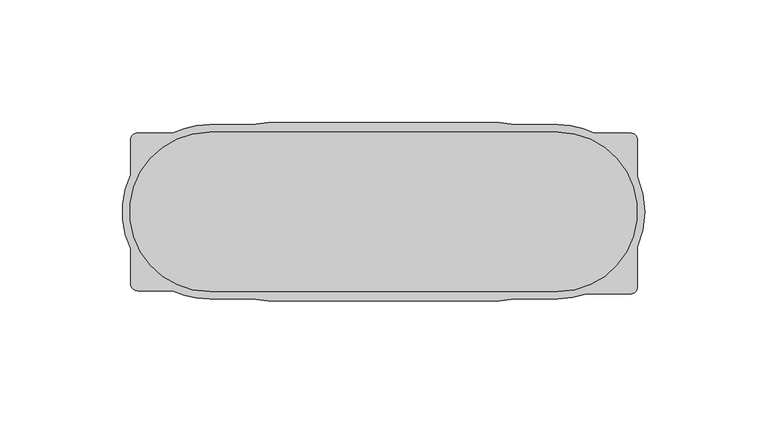
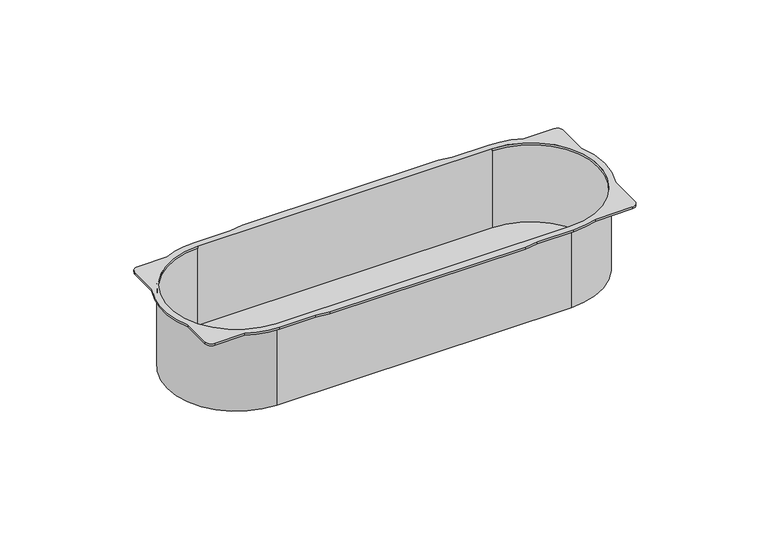
"""IFC4 building model written with IfcOpenShell, lengths in millimetres: proxy geometry."""

from ifc_helpers import new_model, si_unit, point, frame, frame_2d, origin, place, context, project, spatial, polyline, circle_curve, trimmed, segment, composite_curve, outline, extrude, source, transform, mapped, element, save
from ifc_brep_helpers import plane_surface, cylinder_surface, revolved_surface, advanced_brep


def electrical_fixtures_c38f73b0(model_context):
    return source(origin(), model_context, "Body", "SolidModel", [
        advanced_brep(
        [(-71.0, 33.5, -40.0), (71.0, 33.5, -40.0), (71.0, -33.5, -40.0), (-71.0, -33.5, -40.0), (-71.0, 32.5, -40.0), (-71.0, -32.5, -40.0), (71.0, -32.5, -40.0), (71.0, 32.5, -40.0), (103.4713136, -14.3479544, 1.0), (103.4713136, 14.3479544, 1.0), (103.4713136, 29.1875, 1.0), (100.4713136, 32.1875, 1.0), (85.9738053, 32.1875, 1.0), (71.0, 35.5, 1.0), (53.5182585, 35.5, 1.0), (47.1783104, 36.4, 1.0), (-47.1783104, 36.4, 1.0), (-53.5182585, 35.5, 1.0), (-71.0, 35.5, 1.0), (-85.9738053, 32.1875, 1.0), (-100.1875, 32.1875, 1.0), (-103.1875, 29.1875, 1.0), (-103.1875, 14.9738053, 1.0), (-103.1875, -14.9738053, 1.0), (-103.1875, -29.1875, 1.0), (-100.1875, -32.1875, 1.0), (-85.9738053, -32.1875, 1.0), (-71.0, -35.5, 1.0), (-53.5182585, -35.5, 1.0), (-47.1783104, -36.4, 1.0), (47.1783104, -36.4, 1.0), (53.5182585, -35.5, 1.0), (71.0, -35.5, 1.0), (82.7473401, -33.5, 1.0), (100.4713136, -33.5, 1.0), (103.4713136, -30.5, 1.0), (71.0, 32.5, 1.0), (71.0, -32.5, 1.0), (-71.0, -32.5, 1.0), (-71.0, 32.5, 1.0), (103.4713136, -14.3479544, 0.0), (103.4713136, -30.5, 0.0), (100.4713136, -33.5, 0.0), (82.7473401, -33.5, 0.0), (71.0, -35.5, 0.0), (53.5182585, -35.5, 0.0), (47.1783104, -36.4, 0.0), (-47.1783104, -36.4, 0.0), (-53.5182585, -35.5, 0.0), (-71.0, -35.5, 0.0), (-85.9738053, -32.1875, 0.0), (-100.1875, -32.1875, 0.0), (-103.1875, -29.1875, 0.0), (-103.1875, -14.9738053, 0.0), (-103.1875, 14.9738053, 0.0), (-103.1875, 29.1875, 0.0), (-100.1875, 32.1875, 0.0), (-85.9738053, 32.1875, 0.0), (-71.0, 35.5, 0.0), (-53.5182585, 35.5, 0.0), (-47.1783104, 36.4, 0.0), (47.1783104, 36.4, 0.0), (53.5182585, 35.5, 0.0), (71.0, 35.5, 0.0), (85.9738053, 32.1875, 0.0), (100.4713136, 32.1875, 0.0), (103.4713136, 29.1875, 0.0), (103.4713136, 14.3479544, 0.0), (-71.0, 33.5, 0.0), (-71.0, -33.5, 0.0), (71.0, -33.5, 0.0), (71.0, 33.5, 0.0), (71.0, 32.5, 0.0), (71.0, -32.5, 0.0), (-71.0, -32.5, 0.0), (-71.0, 32.5, 0.0)],
        [
            (0, 1),
            (1, 2, circle_curve(frame((71.0, 0.0, -40.0), z_axis=(0.0, 0.0, -1.0), x_axis=(1.0, 0.0, 0.0)), 33.5)),
            (2, 3),
            (3, 0, circle_curve(frame((-71.0, 0.0, -40.0), z_axis=(0.0, 0.0, -1.0), x_axis=(-1.0, 0.0, 0.0)), 33.5)),
            (4, 5, circle_curve(frame((-71.0, 0.0, -40.0), z_axis=(0.0, 0.0, 1.0), x_axis=(-1.0, 0.0, 0.0)), 32.5)),
            (5, 6),
            (6, 7, circle_curve(frame((71.0, 0.0, -40.0), z_axis=(0.0, 0.0, 1.0), x_axis=(1.0, 0.0, 0.0)), 32.5)),
            (7, 4),
            (8, 9, circle_curve(frame((71.0, 0.0, 1.0), z_axis=(0.0, 0.0, 1.0), x_axis=(1.0, 0.0, 0.0)), 35.5)),
            (9, 10),
            (10, 11, circle_curve(frame((100.4713136, 29.1875, 1.0), z_axis=(0.0, 0.0, 1.0), x_axis=(-1.0, 0.0, 0.0)), 3.0)),
            (11, 12),
            (12, 13, circle_curve(frame((71.0, 0.0, 1.0), z_axis=(0.0, 0.0, 1.0), x_axis=(1.0, 0.0, 0.0)), 35.5)),
            (13, 14),
            (14, 15),
            (15, 16),
            (16, 17),
            (17, 18),
            (18, 19, circle_curve(frame((-71.0, 0.0, 1.0), z_axis=(0.0, 0.0, 1.0), x_axis=(-1.0, 0.0, 0.0)), 35.5)),
            (19, 20),
            (20, 21, circle_curve(frame((-100.1875, 29.1875, 1.0), z_axis=(0.0, 0.0, 1.0), x_axis=(1.0, 0.0, 0.0)), 3.0)),
            (21, 22),
            (22, 23, circle_curve(frame((-71.0, 0.0, 1.0), z_axis=(0.0, 0.0, 1.0), x_axis=(-1.0, 0.0, 0.0)), 35.5)),
            (23, 24),
            (24, 25, circle_curve(frame((-100.1875, -29.1875, 1.0), z_axis=(0.0, 0.0, 1.0), x_axis=(1.0, 0.0, 0.0)), 3.0)),
            (25, 26),
            (26, 27, circle_curve(frame((-71.0, 0.0, 1.0), z_axis=(0.0, 0.0, 1.0), x_axis=(-1.0, 0.0, 0.0)), 35.5)),
            (27, 28),
            (28, 29),
            (29, 30),
            (30, 31),
            (31, 32),
            (32, 33, circle_curve(frame((71.0, 0.0, 1.0), z_axis=(0.0, 0.0, 1.0), x_axis=(1.0, 0.0, 0.0)), 35.5)),
            (33, 34),
            (34, 35, circle_curve(frame((100.4713136, -30.5, 1.0), z_axis=(0.0, 0.0, 1.0), x_axis=(-1.0, 0.0, 0.0)), 3.0)),
            (35, 8),
            (36, 37, circle_curve(frame((71.0, 0.0, 1.0), z_axis=(0.0, 0.0, -1.0), x_axis=(1.0, 0.0, 0.0)), 32.5)),
            (37, 38),
            (38, 39, circle_curve(frame((-71.0, 0.0, 1.0), z_axis=(0.0, 0.0, -1.0), x_axis=(-1.0, 0.0, 0.0)), 32.5)),
            (39, 36),
            (40, 41),
            (41, 42, circle_curve(frame((100.4713136, -30.5, 0.0), z_axis=(0.0, 0.0, -1.0), x_axis=(-1.0, 0.0, 0.0)), 3.0)),
            (42, 43),
            (43, 44, circle_curve(frame((71.0, 0.0, 0.0), z_axis=(0.0, 0.0, -1.0), x_axis=(1.0, 0.0, 0.0)), 35.5)),
            (44, 45),
            (45, 46),
            (46, 47),
            (47, 48),
            (48, 49),
            (49, 50, circle_curve(frame((-71.0, 0.0, 0.0), z_axis=(0.0, 0.0, -1.0), x_axis=(-1.0, 0.0, 0.0)), 35.5)),
            (50, 51),
            (51, 52, circle_curve(frame((-100.1875, -29.1875, 0.0), z_axis=(0.0, 0.0, -1.0), x_axis=(1.0, 0.0, 0.0)), 3.0)),
            (52, 53),
            (53, 54, circle_curve(frame((-71.0, 0.0, 0.0), z_axis=(0.0, 0.0, -1.0), x_axis=(-1.0, 0.0, 0.0)), 35.5)),
            (54, 55),
            (55, 56, circle_curve(frame((-100.1875, 29.1875, 0.0), z_axis=(0.0, 0.0, -1.0), x_axis=(1.0, 0.0, 0.0)), 3.0)),
            (56, 57),
            (57, 58, circle_curve(frame((-71.0, 0.0, 0.0), z_axis=(0.0, 0.0, -1.0), x_axis=(-1.0, 0.0, 0.0)), 35.5)),
            (58, 59),
            (59, 60),
            (60, 61),
            (61, 62),
            (62, 63),
            (63, 64, circle_curve(frame((71.0, 0.0, 0.0), z_axis=(0.0, 0.0, -1.0), x_axis=(1.0, 0.0, 0.0)), 35.5)),
            (64, 65),
            (65, 66, circle_curve(frame((100.4713136, 29.1875, 0.0), z_axis=(0.0, 0.0, -1.0), x_axis=(-1.0, 0.0, 0.0)), 3.0)),
            (66, 67),
            (67, 40, circle_curve(frame((71.0, 0.0, 0.0), z_axis=(0.0, 0.0, -1.0), x_axis=(1.0, 0.0, 0.0)), 35.5)),
            (68, 69, circle_curve(frame((-71.0, 0.0, 0.0), z_axis=(0.0, 0.0, 1.0), x_axis=(-1.0, 0.0, 0.0)), 33.5)),
            (69, 70),
            (70, 71, circle_curve(frame((71.0, 0.0, 0.0), z_axis=(0.0, 0.0, 1.0), x_axis=(1.0, 0.0, 0.0)), 33.5)),
            (71, 68),
            (35, 41),
            (40, 8),
            (10, 66),
            (65, 11),
            (64, 12),
            (33, 43),
            (42, 34),
            (9, 67),
            (63, 13),
            (32, 44),
            (62, 14),
            (18, 58),
            (57, 19),
            (56, 20),
            (55, 21),
            (54, 22),
            (53, 23),
            (52, 24),
            (51, 25),
            (50, 26),
            (49, 27),
            (31, 45),
            (36, 72),
            (72, 73, circle_curve(frame((71.0, 0.0, 0.0), z_axis=(0.0, 0.0, -1.0), x_axis=(1.0, 0.0, 0.0)), 32.5)),
            (73, 37),
            (38, 74),
            (74, 75, circle_curve(frame((-71.0, 0.0, 0.0), z_axis=(0.0, 0.0, -1.0), x_axis=(-1.0, 0.0, 0.0)), 32.5)),
            (75, 39),
            (3, 69),
            (68, 0),
            (2, 70),
            (1, 71),
            (7, 72),
            (75, 4),
            (6, 73),
            (5, 74),
            (61, 15),
            (60, 16),
            (59, 17),
            (48, 28),
            (47, 29),
            (46, 30),
        ],
        [
            plane_surface(frame((-104.5, 0.0, -40.0), z_axis=(0.0, 0.0, -1.0), x_axis=(0.0, 1.0, 0.0))),
            plane_surface(frame((106.5, 0.0, 1.0), z_axis=(0.0, 0.0, 1.0), x_axis=(0.0, 1.0, 0.0))),
            plane_surface(frame((106.5, 0.0, 0.0), z_axis=(0.0, 0.0, -1.0), x_axis=(0.0, -1.0, 0.0))),
            plane_surface(frame((103.4713136, -30.5, 1.0), z_axis=(1.0, 0.0, 0.0), x_axis=(0.0, 0.0, -1.0))),
            cylinder_surface(frame((100.4713136, 29.1875, 0.0), z_axis=(0.0, 0.0, 1.0), x_axis=(-1.0, 0.0, 0.0)), 3.0),
            plane_surface(frame((100.4713136, 32.1875, 1.0), z_axis=(0.0, 1.0, 0.0), x_axis=(0.0, 0.0, -1.0))),
            plane_surface(frame((82.7473401, -33.5, 1.0), z_axis=(0.0, -1.0, 0.0), x_axis=(0.0, 0.0, -1.0))),
            cylinder_surface(frame((100.4713136, -30.5, 0.0), z_axis=(0.0, 0.0, 1.0), x_axis=(-1.0, 0.0, 0.0)), 3.0),
            plane_surface(frame((103.4713136, 14.3479544, 1.0), z_axis=(1.0, 0.0, 0.0), x_axis=(0.0, 0.0, -1.0))),
            cylinder_surface(frame((71.0, 0.0, 0.0), z_axis=(0.0, 0.0, 1.0), x_axis=(1.0, 0.0, 0.0)), 35.5),
            plane_surface(frame((71.0, 35.5, 1.0), z_axis=(0.0, 1.0, 0.0), x_axis=(0.0, 0.0, -1.0))),
            cylinder_surface(frame((-71.0, 0.0, 0.0), z_axis=(0.0, 0.0, 1.0), x_axis=(-1.0, 0.0, 0.0)), 35.5),
            plane_surface(frame((-85.9738053, 32.1875, 1.0), z_axis=(0.0, 1.0, 0.0), x_axis=(0.0, 0.0, -1.0))),
            cylinder_surface(frame((-100.1875, 29.1875, 0.0), z_axis=(0.0, 0.0, 1.0), x_axis=(1.0, 0.0, 0.0)), 3.0),
            plane_surface(frame((-103.1875, 29.1875, 1.0), z_axis=(-1.0, 0.0, 0.0), x_axis=(0.0, 0.0, -1.0))),
            plane_surface(frame((-103.1875, -14.9738053, 1.0), z_axis=(-1.0, 0.0, 0.0), x_axis=(0.0, 0.0, -1.0))),
            cylinder_surface(frame((-100.1875, -29.1875, 0.0), z_axis=(0.0, 0.0, 1.0), x_axis=(1.0, 0.0, 0.0)), 3.0),
            plane_surface(frame((-100.1875, -32.1875, 1.0), z_axis=(0.0, -1.0, 0.0), x_axis=(0.0, 0.0, -1.0))),
            plane_surface(frame((53.5182585, -35.5, 1.0), z_axis=(0.0, -1.0, 0.0), x_axis=(0.0, 0.0, -1.0))),
            revolved_surface(polyline([(103.5, 0.0, 0.0), (103.5, 0.0, 1.0)]), (71.0, 0.0, 0.0), (0.0, 0.0, -1.0)),
            revolved_surface(polyline([(-103.5, 0.0, 0.0), (-103.5, 0.0, 1.0)]), (-71.0, 0.0, 0.0), (0.0, 0.0, -1.0)),
            cylinder_surface(frame((-71.0, 0.0, -40.0), z_axis=(0.0, 0.0, 1.0), x_axis=(-1.0, 0.0, 0.0)), 33.5),
            plane_surface(frame((-71.0, -33.5, 0.0), z_axis=(0.0, -1.0, 0.0), x_axis=(0.0, 0.0, -1.0))),
            cylinder_surface(frame((71.0, 0.0, -40.0), z_axis=(0.0, 0.0, 1.0), x_axis=(1.0, 0.0, 0.0)), 33.5),
            plane_surface(frame((71.0, 33.5, 0.0), z_axis=(0.0, 1.0, 0.0), x_axis=(0.0, 0.0, -1.0))),
            plane_surface(frame((-71.0, 32.5, 0.0), z_axis=(0.0, -1.0, 0.0), x_axis=(0.0, 0.0, -1.0))),
            revolved_surface(polyline([(103.5, 0.0, -40.0), (103.5, 0.0, 0.0)]), (71.0, 0.0, 0.0), (0.0, 0.0, -1.0)),
            plane_surface(frame((71.0, -32.5, 0.0), z_axis=(0.0, 1.0, 0.0), x_axis=(0.0, 0.0, -1.0))),
            revolved_surface(polyline([(-103.5, 0.0, -40.0), (-103.5, 0.0, 0.0)]), (-71.0, 0.0, 0.0), (0.0, 0.0, -1.0)),
            plane_surface(frame((53.5182585, 35.5, 1.0), z_axis=(0.14054791471914707, 0.9900738778839181, 0.0), x_axis=(0.0, 0.0, -1.0))),
            plane_surface(frame((47.1783104, 36.4, 1.0), z_axis=(0.0, 1.0, 0.0), x_axis=(0.0, 0.0, -1.0))),
            plane_surface(frame((-47.1783104, 36.4, 1.0), z_axis=(-0.14054791471914835, 0.9900738778839179, 0.0), x_axis=(0.0, 0.0, -1.0))),
            plane_surface(frame((-53.5182585, 35.5, 1.0), z_axis=(0.0, 1.0, 0.0), x_axis=(0.0, 0.0, -1.0))),
            plane_surface(frame((-71.0, -35.5, 1.0), z_axis=(0.0, -1.0, 0.0), x_axis=(0.0, 0.0, -1.0))),
            plane_surface(frame((-53.5182585, -35.5, 1.0), z_axis=(-0.14054791471914785, -0.990073877883918, 0.0), x_axis=(0.0, 0.0, -1.0))),
            plane_surface(frame((-47.1783104, -36.4, 1.0), z_axis=(0.0, -1.0, 0.0), x_axis=(0.0, 0.0, -1.0))),
            plane_surface(frame((47.1783104, -36.4, 1.0), z_axis=(0.14054791471914663, -0.9900738778839181, 0.0), x_axis=(0.0, 0.0, -1.0))),
        ],
        [
            (0, [[1, 2, 3, 4], [5, 6, 7, 8]]),
            (1, [[9, 10, 11, 12, 13, 14, 15, 16, 17, 18, 19, 20, 21, 22, 23, 24, 25, 26, 27, 28, 29, 30, 31, 32, 33, 34, 35, 36], [37, 38, 39, 40]]),
            (2, [[41, 42, 43, 44, 45, 46, 47, 48, 49, 50, 51, 52, 53, 54, 55, 56, 57, 58, 59, 60, 61, 62, 63, 64, 65, 66, 67, 68], [69, 70, 71, 72]]),
            (3, [[-36, 73, -41, 74]]),
            (4, [[-11, 75, -66, 76]]),
            (5, [[-12, -76, -65, 77]]),
            (6, [[-34, 78, -43, 79]]),
            (7, [[-35, -79, -42, -73]]),
            (8, [[-10, 80, -67, -75]]),
            (9, [[-9, -74, -68, -80]]),
            (9, [[-13, -77, -64, 81]]),
            (9, [[-33, 82, -44, -78]]),
            (10, [[-14, -81, -63, 83]]),
            (11, [[-19, 84, -58, 85]]),
            (12, [[-20, -85, -57, 86]]),
            (13, [[-21, -86, -56, 87]]),
            (14, [[-22, -87, -55, 88]]),
            (11, [[-23, -88, -54, 89]]),
            (15, [[-24, -89, -53, 90]]),
            (16, [[-25, -90, -52, 91]]),
            (17, [[-26, -91, -51, 92]]),
            (11, [[-27, -92, -50, 93]]),
            (18, [[-32, 94, -45, -82]]),
            (19, [[-37, 95, 96, 97]]),
            (20, [[-39, 98, 99, 100]]),
            (21, [[-4, 101, -69, 102]]),
            (22, [[-3, 103, -70, -101]]),
            (23, [[-2, 104, -71, -103]]),
            (24, [[-1, -102, -72, -104]]),
            (25, [[-8, 105, -95, -40, -100, 106]]),
            (26, [[-7, 107, -96, -105]]),
            (27, [[-6, 108, -98, -38, -97, -107]]),
            (28, [[-5, -106, -99, -108]]),
            (29, [[-15, -83, -62, 109]]),
            (30, [[-16, -109, -61, 110]]),
            (31, [[-17, -110, -60, 111]]),
            (32, [[-18, -111, -59, -84]]),
            (33, [[-28, -93, -49, 112]]),
            (34, [[-29, -112, -48, 113]]),
            (35, [[-30, -113, -47, 114]]),
            (36, [[-31, -114, -46, -94]]),
        ],
    ),
        extrude(outline(composite_curve([segment(polyline([(-71.0, 32.5), (71.0, 32.5)]), True, "CONTINUOUS"), segment(trimmed(circle_curve(frame_2d((71.0, 0.0)), 32.5), [point((71.0, 32.5))], [point((71.0, -32.5))], False, "CARTESIAN"), True, "CONTINUOUS"), segment(polyline([(71.0, -32.5), (-71.0, -32.5)]), True, "CONTINUOUS"), segment(trimmed(circle_curve(frame_2d((-71.0, 0.0)), 32.5), [point((-71.0, -32.5))], [point((-71.0, 32.5))], False, "CARTESIAN"), True, "CONTINUOUS")], self_intersect=False)), frame((0.0, 0.0, -40.0), z_axis=(0.0, 0.0, 1.0), x_axis=(1.0, 0.0, 0.0)), (0.0, 0.0, 1.0), 1.0),
    ])


if __name__ == "__main__":
    model = new_model("IFC4")
    model_context = context("Model", 3, world=origin())
    ifc_project = project(units=[si_unit("LENGTHUNIT", "METRE", prefix="MILLI")], contexts=[model_context])
    site = spatial("IfcSite", under=ifc_project)
    building = spatial("IfcBuilding", under=site)
    placement = place(None, origin())
    electrical_fixtures_shape = electrical_fixtures_c38f73b0(model_context)
    element("IfcBuildingElementProxy", 1, Name="Electrical Fixtures", at=placement, inside=building, context=model_context, shape_type="MappedRepresentation", body=[
        mapped(electrical_fixtures_shape, transform((0.0, 0.0, 0.0), x_axis=(1.0, 0.0, 0.0), y_axis=(0.0, 1.0, 0.0), z_axis=(0.0, 0.0, 1.0))),
    ])
    save(model, "model.ifc")
